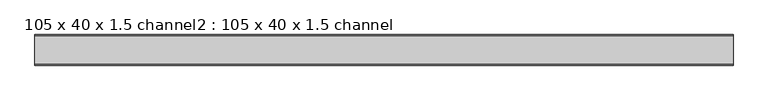
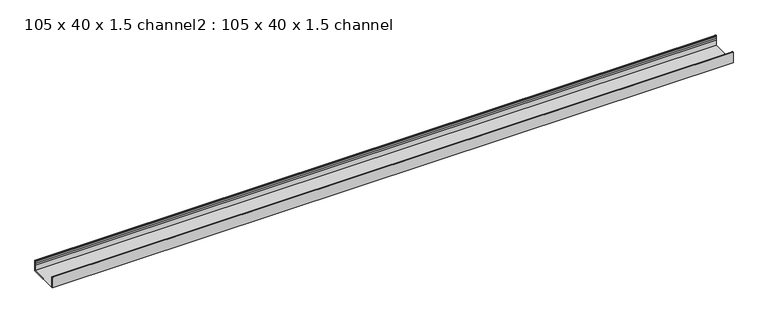
"""IFC4 building model written with IfcOpenShell, lengths in millimetres: proxy geometry, 105 x 40 x 1.5 channel2 : 105 x 40 x 1.5 channel."""

from ifc_helpers import new_model, si_unit, point, frame, frame_2d, origin, place, context, project, spatial, polyline, circle_curve, trimmed, segment, composite_curve, outline, extrude, source, transform, mapped, element, save


def proxy_105_x_40_x_1_5_channel2_105_x_40_x_1_5_channel_fcee7121(model_context):
    return source(origin(), model_context, "Body", "SweptSolid", [
        extrude(outline(composite_curve([segment(trimmed(circle_curve(frame_2d((834.0503008, 32.0)), 10.0), [point((843.6256088, 29.1166898))], [point((843.6256088, 34.8833102))], True, "CARTESIAN"), True, "CONTINUOUS"), segment(polyline([(843.6256088, 34.8833102), (843.0503008, 38.8)]), True, "CONTINUOUS"), segment(trimmed(circle_curve(frame_2d((844.2503008, 38.8)), 1.2), [point((843.0503008, 38.8))], [point((845.4503008, 38.8))], False, "CARTESIAN"), True, "CONTINUOUS"), segment(polyline([(845.4503008, 38.8), (845.4503008, 0.0), (740.1503008, 0.0), (740.1503008, 38.8)]), True, "CONTINUOUS"), segment(trimmed(circle_curve(frame_2d((741.3503008, 38.8)), 1.2), [point((740.1503008, 38.8))], [point((742.5503008, 38.8))], False, "CARTESIAN"), True, "CONTINUOUS"), segment(polyline([(742.5503008, 38.8), (741.9749929, 34.8833102)]), True, "CONTINUOUS"), segment(trimmed(circle_curve(frame_2d((751.5503008, 32.0)), 10.0), [point((741.9749929, 34.8833102))], [point((741.9749929, 29.1166898))], True, "CARTESIAN"), True, "CONTINUOUS"), segment(trimmed(circle_curve(frame_2d((732.5503008, 25.77376)), 10.0), [point((741.9749929, 29.1166898))], [point((741.5503008, 21.4148611))], False, "CARTESIAN"), True, "CONTINUOUS"), segment(polyline([(741.5503008, 21.4148611), (741.5503008, 1.4), (844.0503008, 1.4), (844.0503008, 21.4148611)]), True, "CONTINUOUS"), segment(trimmed(circle_curve(frame_2d((853.0503008, 25.77376)), 10.0), [point((844.0503008, 21.4148611))], [point((843.6256088, 29.1166898))], False, "CARTESIAN"), True, "CONTINUOUS")], self_intersect=False)), frame((4244.6309284, 0.0, 0.0), z_axis=(1.0, 0.0, 0.0), x_axis=(0.0, 1.0, 0.0)), (0.0, 0.0, 1.0), 2400.0),
    ])


if __name__ == "__main__":
    model = new_model("IFC4")
    model_context = context("Model", 3, world=origin())
    ifc_project = project(units=[si_unit("LENGTHUNIT", "METRE", prefix="MILLI")], contexts=[model_context])
    site = spatial("IfcSite", under=ifc_project)
    building = spatial("IfcBuilding", under=site)
    placement = place(None, origin())
    proxy_105_x_40_x_1_5_channel2_105_x_40_x_1_5_channel_shape = proxy_105_x_40_x_1_5_channel2_105_x_40_x_1_5_channel_fcee7121(model_context)
    element("IfcBuildingElementProxy", 1, Name="105 x 40 x 1.5 channel2 : 105 x 40 x 1.5 channel", ObjectType="105 x 40 x 1.5 channel2 : 105 x 40 x 1.5 channel", at=placement, inside=building, context=model_context, shape_type="MappedRepresentation", body=[
        mapped(proxy_105_x_40_x_1_5_channel2_105_x_40_x_1_5_channel_shape, transform((0.0, 0.0, 0.0), x_axis=(1.0, 0.0, 0.0), y_axis=(0.0, 1.0, 0.0), z_axis=(0.0, 0.0, 1.0))),
    ])
    save(model, "model.ifc")
